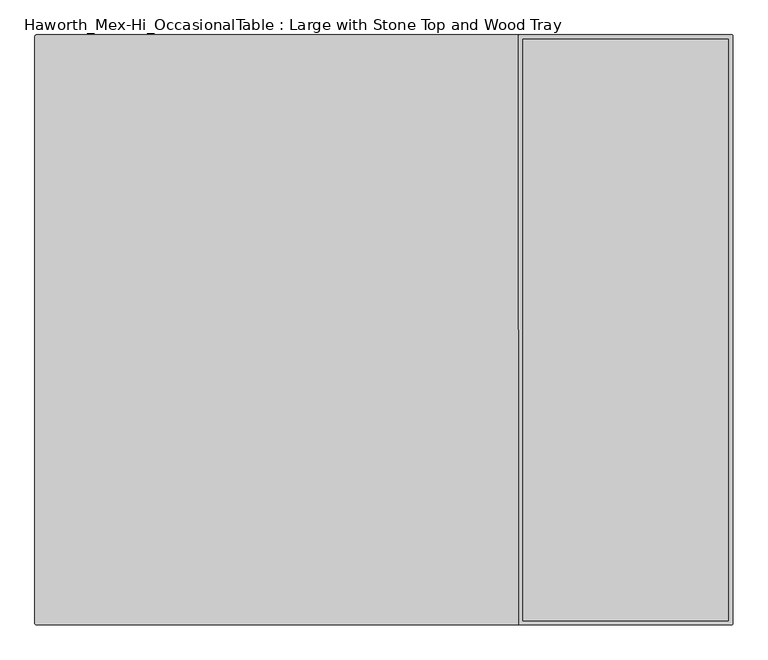
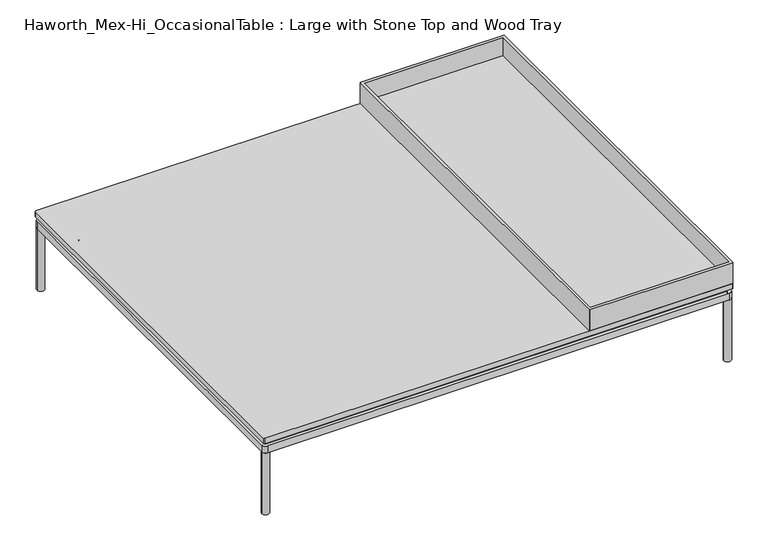
"""IFC4 building model written with IfcOpenShell, lengths in millimetres: furniture geometry, Haworth_Mex-Hi_OccasionalTable : Large with Stone Top and Wood Tray."""

from ifc_helpers import new_model, si_unit, point, frame, frame_2d, origin, origin_with_axes, place, context, project, spatial, polyline, circle_curve, trimmed, segment, composite_curve, outline, extrude, faceted_brep, source, transform, mapped, element, save
from ifc_brep_helpers import plane_surface, cylinder_surface, advanced_brep


def haworth_mex_hi_occasionaltable_large_with_stone_top_and_wood_ebb3eda0(model_context):
    return source(origin(), model_context, "Body", "SolidModel", [
        faceted_brep([(104.0106049, 249.8139401, 233.8030617), (104.0106049, -834.0139401, 233.8030617), (486.7988188, -834.0139401, 233.8030617), (486.7988188, 249.8139401, 233.8030617), (96.0147118, -841.0104971, 225.806), (96.0147118, 256.8104971, 225.806), (97.014215, 256.8104971, 225.806), (97.014215, 257.81, 225.806), (493.7952091, 257.81, 225.806), (493.7952091, 256.8104971, 225.806), (494.7947118, 256.8104971, 225.806), (494.7947118, -841.0104971, 225.806), (493.7952091, -841.0104971, 225.806), (493.7952091, -842.01, 225.806), (97.014215, -842.01, 225.806), (97.014215, -841.0104971, 225.806), (493.7952091, -842.01, 286.7670178), (493.7952091, -841.0104971, 286.7670178), (494.7947118, -841.0104971, 286.7670178), (494.7947118, 256.8104971, 286.7670178), (493.7952091, 256.8104971, 286.7670178), (493.7952091, 257.81, 286.7670178), (97.014215, 257.81, 286.7670178), (97.014215, 256.8104971, 286.7670178), (96.014582, 256.8104971, 286.7670178), (96.0147121, -841.0104971, 286.7670178), (97.014215, -841.0104971, 286.7670178), (97.014215, -842.01, 286.7670178), (104.0106049, -834.0139401, 286.7670178), (104.0106049, 249.8139401, 286.7670178), (486.7988188, 249.8139401, 286.7670178), (486.7988188, -834.0139401, 286.7670178)], [[[0, 1, 2, 3]], [[4, 5, 6, 7, 8, 9, 10, 11, 12, 13, 14, 15]], [[16, 17, 18, 19, 20, 21, 22, 23, 24, 25, 26, 27], [28, 29, 30, 31]], [[29, 28, 1, 0]], [[30, 29, 0, 3]], [[31, 30, 3, 2]], [[28, 31, 2, 1]], [[4, 15, 26, 25]], [[26, 15, 14, 27]], [[27, 14, 13, 16]], [[16, 13, 12, 17]], [[17, 12, 11, 18]], [[18, 11, 10, 19]], [[19, 10, 9, 20]], [[20, 9, 8, 21]], [[21, 8, 7, 22]], [[22, 7, 6, 23]], [[23, 6, 5, 24]], [[24, 5, 4, 25]]]),
        extrude(outline(composite_curve([segment(trimmed(circle_curve(frame_2d((492.2547118, 255.27)), 2.54), [point((492.2547118, 257.81))], [point((494.7947118, 255.27))], False, "CARTESIAN"), True, "CONTINUOUS"), segment(polyline([(494.7947118, 255.27), (494.7947118, -839.47)]), True, "CONTINUOUS"), segment(trimmed(circle_curve(frame_2d((492.2547118, -839.47)), 2.54), [point((494.7947118, -839.47))], [point((492.2547118, -842.01))], False, "CARTESIAN"), True, "CONTINUOUS"), segment(polyline([(492.2547118, -842.01), (-803.1452882, -842.01)]), True, "CONTINUOUS"), segment(trimmed(circle_curve(frame_2d((-803.1452882, -839.47)), 2.54), [point((-803.1452882, -842.01))], [point((-805.6852882, -839.47))], False, "CARTESIAN"), True, "CONTINUOUS"), segment(polyline([(-805.6852882, -839.47), (-805.6852882, 255.27)]), True, "CONTINUOUS"), segment(trimmed(circle_curve(frame_2d((-803.1452882, 255.27)), 2.54), [point((-805.6852882, 255.27))], [point((-803.1452882, 257.81))], False, "CARTESIAN"), True, "CONTINUOUS"), segment(polyline([(-803.1452882, 257.81), (492.2547118, 257.81)]), True, "CONTINUOUS")], self_intersect=False)), frame((0.0, 0.0, 210.5656929), z_axis=(0.0, 0.0, 1.0), x_axis=(1.0, 0.0, 0.0)), (0.0, 0.0, 1.0), 15.2403071),
        extrude(outline(composite_curve([segment(trimmed(circle_curve(frame_2d((-793.7438099, 245.8600121)), 1.9413078), [point((-795.6851177, 245.8600121))], [point((-793.7438099, 247.8013198))], False, "CARTESIAN"), True, "CONTINUOUS"), segment(polyline([(-793.7438099, 247.8013198), (482.7909315, 247.8013198)]), True, "CONTINUOUS"), segment(trimmed(circle_curve(frame_2d((482.7909315, 245.7941911)), 2.0071288), [point((482.7909315, 247.8013198))], [point((484.7980603, 245.7941911))], False, "CARTESIAN"), True, "CONTINUOUS"), segment(polyline([(484.7980603, 245.7941911), (484.7980603, -830.0202885)]), True, "CONTINUOUS"), segment(trimmed(circle_curve(frame_2d((482.7963356, -830.0202885)), 2.0017246), [point((484.7980603, -830.0202885))], [point((482.7963356, -832.0220131))], False, "CARTESIAN"), True, "CONTINUOUS"), segment(polyline([(482.7963356, -832.0220131), (-793.6865391, -832.0220131)]), True, "CONTINUOUS"), segment(trimmed(circle_curve(frame_2d((-793.6865391, -830.0234345)), 1.9985786), [point((-793.6865391, -832.0220131))], [point((-795.6851177, -830.0234345))], False, "CARTESIAN"), True, "CONTINUOUS"), segment(polyline([(-795.6851177, -830.0234345), (-795.6851177, 245.8600121)]), True, "CONTINUOUS")], self_intersect=False)), frame((0.0, 0.0, 200.6639327), z_axis=(0.0, 0.0, 1.0), x_axis=(1.0, 0.0, 0.0)), (0.0, 0.0, 1.0), 8.6983971),
        extrude(outline(composite_curve([segment(trimmed(circle_curve(frame_2d((-734.5485908, -768.4918899)), 0.8405923), [point((-734.1762907, -769.2455397))], [point((-735.2478371, -768.9584197))], False, "CARTESIAN"), True, "CONTINUOUS"), segment(trimmed(circle_curve(frame_2d((-716.0123929, -752.9681431)), 25.0138214), [point((-735.2478371, -768.9584197))], [point((-739.4781008, -761.6313881))], False, "CARTESIAN"), True, "CONTINUOUS"), segment(trimmed(circle_curve(frame_2d((-738.5030497, -761.3200964)), 1.0235365), [point((-739.4781008, -761.6313881))], [point((-739.0770727, -760.472674))], False, "CARTESIAN"), True, "CONTINUOUS"), segment(trimmed(circle_curve(frame_2d((-759.3974109, -730.4740319)), 36.2330605), [point((-739.0770727, -760.472674))], [point((-723.2576556, -733.07264))], True, "CARTESIAN"), True, "CONTINUOUS"), segment(trimmed(circle_curve(frame_2d((-722.2381008, -733.1459505)), 1.0221871), [point((-723.2576556, -733.07264))], [point((-722.4469831, -732.1453333))], False, "CARTESIAN"), True, "CONTINUOUS"), segment(trimmed(circle_curve(frame_2d((-718.2244211, -752.3728401)), 20.6635442), [point((-722.4469831, -732.1453333))], [point((-714.0018591, -732.1453333))], False, "CARTESIAN"), True, "CONTINUOUS"), segment(trimmed(circle_curve(frame_2d((-714.2108273, -733.1463624)), 1.0226079), [point((-714.0018591, -732.1453333))], [point((-713.1908621, -733.072893))], False, "CARTESIAN"), True, "CONTINUOUS"), segment(trimmed(circle_curve(frame_2d((-677.8017646, -730.9076737)), 35.4552732), [point((-713.1908621, -733.072893))], [point((-697.3714482, -760.4729215))], True, "CARTESIAN"), True, "CONTINUOUS"), segment(trimmed(circle_curve(frame_2d((-697.8841782, -761.2984642)), 0.971809), [point((-697.3714482, -760.4729215))], [point((-696.9743802, -761.6400494))], False, "CARTESIAN"), True, "CONTINUOUS"), segment(trimmed(circle_curve(frame_2d((-721.1201172, -752.5744916)), 25.79149), [point((-696.9743802, -761.6400494))], [point((-701.1962454, -768.9525343))], False, "CARTESIAN"), True, "CONTINUOUS"), segment(trimmed(circle_curve(frame_2d((-701.9409291, -768.3403811)), 0.9639946), [point((-701.1962454, -768.9525343))], [point((-702.2725515, -769.2455397))], False, "CARTESIAN"), True, "CONTINUOUS"), segment(trimmed(circle_curve(frame_2d((-718.2244211, -801.5370245)), 36.0166924), [point((-702.2725515, -769.2455397))], [point((-734.1762907, -769.2455397))], True, "CARTESIAN"), True, "CONTINUOUS")], self_intersect=False)), frame((0.0, 0.0, 165.7894444), z_axis=(0.0, 0.0, 1.0), x_axis=(1.0, 0.0, 0.0)), (0.0, 0.0, 1.0), 9.7910462),
        extrude(outline(composite_curve([segment(trimmed(circle_curve(frame_2d((-718.2242758, -754.2455832)), 3.9922173), [point((-714.2320585, -754.2455832))], [point((-722.216493, -754.2455832))], False, "CARTESIAN"), True, "CONTINUOUS"), segment(trimmed(circle_curve(frame_2d((-718.2242758, -754.2455832)), 3.9922173), [point((-722.216493, -754.2455832))], [point((-714.2320585, -754.2455832))], False, "CARTESIAN"), True, "CONTINUOUS")], self_intersect=False)), frame((0.0, 0.0, 170.7645404), z_axis=(0.0, 0.0, 1.0), x_axis=(1.0, 0.0, 0.0)), (0.0, 0.0, 1.0), 38.5901772),
        extrude(outline(composite_curve([segment(trimmed(circle_curve(frame_2d((-718.2242758, -754.2455832)), 9.4525726), [point((-708.7717031, -754.2455832))], [point((-727.6768484, -754.2455832))], False, "CARTESIAN"), True, "CONTINUOUS"), segment(trimmed(circle_curve(frame_2d((-718.2242758, -754.2455832)), 9.4525726), [point((-727.6768484, -754.2455832))], [point((-708.7717031, -754.2455832))], False, "CARTESIAN"), True, "CONTINUOUS")], self_intersect=False)), frame((0.0, 0.0, 200.6639145), z_axis=(0.0, 0.0, 1.0), x_axis=(1.0, 0.0, 0.0)), (0.0, 0.0, 1.0), 5.0787766),
        extrude(outline(composite_curve([segment(trimmed(circle_curve(frame_2d((-718.2242758, -754.2455832)), 9.4525726), [point((-708.7717031, -754.2455832))], [point((-727.6768484, -754.2455832))], False, "CARTESIAN"), True, "CONTINUOUS"), segment(trimmed(circle_curve(frame_2d((-718.2242758, -754.2455832)), 9.4525726), [point((-727.6768484, -754.2455832))], [point((-708.7717031, -754.2455832))], False, "CARTESIAN"), True, "CONTINUOUS")], self_intersect=False)), frame((0.0, 0.0, 175.5804905), z_axis=(0.0, 0.0, 1.0), x_axis=(1.0, 0.0, 0.0)), (0.0, 0.0, 1.0), 5.0787766),
        extrude(outline(composite_curve([segment(trimmed(circle_curve(frame_2d((396.8166573, -801.5370245)), 36.0166924), [point((412.7685269, -769.2455397))], [point((380.8647877, -769.2455397))], True, "CARTESIAN"), True, "CONTINUOUS"), segment(trimmed(circle_curve(frame_2d((380.5331653, -768.3403811)), 0.9639946), [point((380.8647877, -769.2455397))], [point((379.7884816, -768.9525343))], False, "CARTESIAN"), True, "CONTINUOUS"), segment(trimmed(circle_curve(frame_2d((399.7123534, -752.5744916)), 25.79149), [point((379.7884816, -768.9525343))], [point((375.5666164, -761.6400494))], False, "CARTESIAN"), True, "CONTINUOUS"), segment(trimmed(circle_curve(frame_2d((376.4764144, -761.2984642)), 0.971809), [point((375.5666164, -761.6400494))], [point((375.9636844, -760.4729215))], False, "CARTESIAN"), True, "CONTINUOUS"), segment(trimmed(circle_curve(frame_2d((356.3940008, -730.9076737)), 35.4552732), [point((375.9636844, -760.4729215))], [point((391.7830983, -733.072893))], True, "CARTESIAN"), True, "CONTINUOUS"), segment(trimmed(circle_curve(frame_2d((392.8030635, -733.1463624)), 1.0226079), [point((391.7830983, -733.072893))], [point((392.5940953, -732.1453333))], False, "CARTESIAN"), True, "CONTINUOUS"), segment(trimmed(circle_curve(frame_2d((396.8166573, -752.3728401)), 20.6635442), [point((392.5940953, -732.1453333))], [point((401.0392193, -732.1453333))], False, "CARTESIAN"), True, "CONTINUOUS"), segment(trimmed(circle_curve(frame_2d((400.830337, -733.1459505)), 1.0221871), [point((401.0392193, -732.1453333))], [point((401.8498918, -733.07264))], False, "CARTESIAN"), True, "CONTINUOUS"), segment(trimmed(circle_curve(frame_2d((437.9896471, -730.4740319)), 36.2330605), [point((401.8498918, -733.07264))], [point((417.6693089, -760.472674))], True, "CARTESIAN"), True, "CONTINUOUS"), segment(trimmed(circle_curve(frame_2d((417.0952859, -761.3200964)), 1.0235365), [point((417.6693089, -760.472674))], [point((418.070337, -761.6313881))], False, "CARTESIAN"), True, "CONTINUOUS"), segment(trimmed(circle_curve(frame_2d((394.604629, -752.9681431)), 25.0138214), [point((418.070337, -761.6313881))], [point((413.8400733, -768.9584197))], False, "CARTESIAN"), True, "CONTINUOUS"), segment(trimmed(circle_curve(frame_2d((413.140827, -768.4918899)), 0.8405923), [point((413.8400733, -768.9584197))], [point((412.7685269, -769.2455397))], False, "CARTESIAN"), True, "CONTINUOUS")], self_intersect=False)), frame((0.0, 0.0, 165.7894444), z_axis=(0.0, 0.0, 1.0), x_axis=(1.0, 0.0, 0.0)), (0.0, 0.0, 1.0), 9.7910462),
        extrude(outline(composite_curve([segment(trimmed(circle_curve(frame_2d((396.816512, -754.2455832)), 3.9922173), [point((392.8242947, -754.2455832))], [point((400.8087292, -754.2455832))], False, "CARTESIAN"), True, "CONTINUOUS"), segment(trimmed(circle_curve(frame_2d((396.816512, -754.2455832)), 3.9922173), [point((400.8087292, -754.2455832))], [point((392.8242947, -754.2455832))], False, "CARTESIAN"), True, "CONTINUOUS")], self_intersect=False)), frame((0.0, 0.0, 170.7645404), z_axis=(0.0, 0.0, 1.0), x_axis=(1.0, 0.0, 0.0)), (0.0, 0.0, 1.0), 38.5901772),
        extrude(outline(composite_curve([segment(trimmed(circle_curve(frame_2d((396.816512, -754.2455832)), 9.4525726), [point((387.3639393, -754.2455832))], [point((406.2690846, -754.2455832))], False, "CARTESIAN"), True, "CONTINUOUS"), segment(trimmed(circle_curve(frame_2d((396.816512, -754.2455832)), 9.4525726), [point((406.2690846, -754.2455832))], [point((387.3639393, -754.2455832))], False, "CARTESIAN"), True, "CONTINUOUS")], self_intersect=False)), frame((0.0, 0.0, 200.6639145), z_axis=(0.0, 0.0, 1.0), x_axis=(1.0, 0.0, 0.0)), (0.0, 0.0, 1.0), 5.0787766),
        extrude(outline(composite_curve([segment(trimmed(circle_curve(frame_2d((396.816512, -754.2455832)), 9.4525726), [point((387.3639393, -754.2455832))], [point((406.2690846, -754.2455832))], False, "CARTESIAN"), True, "CONTINUOUS"), segment(trimmed(circle_curve(frame_2d((396.816512, -754.2455832)), 9.4525726), [point((406.2690846, -754.2455832))], [point((387.3639393, -754.2455832))], False, "CARTESIAN"), True, "CONTINUOUS")], self_intersect=False)), frame((0.0, 0.0, 175.5804905), z_axis=(0.0, 0.0, 1.0), x_axis=(1.0, 0.0, 0.0)), (0.0, 0.0, 1.0), 5.0787766),
        extrude(outline(composite_curve([segment(trimmed(circle_curve(frame_2d((-734.5485908, 155.518788)), 0.8405923), [point((-734.1762907, 154.7651382))], [point((-735.2478371, 155.0522582))], False, "CARTESIAN"), True, "CONTINUOUS"), segment(trimmed(circle_curve(frame_2d((-716.0123929, 171.0425348)), 25.0138214), [point((-735.2478371, 155.0522582))], [point((-739.4781008, 162.3792898))], False, "CARTESIAN"), True, "CONTINUOUS"), segment(trimmed(circle_curve(frame_2d((-738.5030497, 162.6905815)), 1.0235365), [point((-739.4781008, 162.3792898))], [point((-739.0770727, 163.5380039))], False, "CARTESIAN"), True, "CONTINUOUS"), segment(trimmed(circle_curve(frame_2d((-759.3974109, 193.536646)), 36.2330605), [point((-739.0770727, 163.5380039))], [point((-723.2576556, 190.9380379))], True, "CARTESIAN"), True, "CONTINUOUS"), segment(trimmed(circle_curve(frame_2d((-722.2381008, 190.8647274)), 1.0221871), [point((-723.2576556, 190.9380379))], [point((-722.4469831, 191.8653446))], False, "CARTESIAN"), True, "CONTINUOUS"), segment(trimmed(circle_curve(frame_2d((-718.2244211, 171.6378378)), 20.6635442), [point((-722.4469831, 191.8653446))], [point((-714.0018591, 191.8653446))], False, "CARTESIAN"), True, "CONTINUOUS"), segment(trimmed(circle_curve(frame_2d((-714.2108273, 190.8643155)), 1.0226079), [point((-714.0018591, 191.8653446))], [point((-713.1908621, 190.9377849))], False, "CARTESIAN"), True, "CONTINUOUS"), segment(trimmed(circle_curve(frame_2d((-677.8017646, 193.1030042)), 35.4552732), [point((-713.1908621, 190.9377849))], [point((-697.3714482, 163.5377564))], True, "CARTESIAN"), True, "CONTINUOUS"), segment(trimmed(circle_curve(frame_2d((-697.8841782, 162.7122137)), 0.971809), [point((-697.3714482, 163.5377564))], [point((-696.9743802, 162.3706285))], False, "CARTESIAN"), True, "CONTINUOUS"), segment(trimmed(circle_curve(frame_2d((-721.1201172, 171.4361863)), 25.79149), [point((-696.9743802, 162.3706285))], [point((-701.1962454, 155.0581436))], False, "CARTESIAN"), True, "CONTINUOUS"), segment(trimmed(circle_curve(frame_2d((-701.9409291, 155.6702968)), 0.9639946), [point((-701.1962454, 155.0581436))], [point((-702.2725515, 154.7651382))], False, "CARTESIAN"), True, "CONTINUOUS"), segment(trimmed(circle_curve(frame_2d((-718.2244211, 122.4736534)), 36.0166924), [point((-702.2725515, 154.7651382))], [point((-734.1762907, 154.7651382))], True, "CARTESIAN"), True, "CONTINUOUS")], self_intersect=False)), frame((0.0, 0.0, 165.7894444), z_axis=(0.0, 0.0, 1.0), x_axis=(1.0, 0.0, 0.0)), (0.0, 0.0, 1.0), 9.7910462),
        extrude(outline(composite_curve([segment(trimmed(circle_curve(frame_2d((-718.2242758, 169.7650947)), 3.9922173), [point((-714.2320585, 169.7650947))], [point((-722.216493, 169.7650947))], False, "CARTESIAN"), True, "CONTINUOUS"), segment(trimmed(circle_curve(frame_2d((-718.2242758, 169.7650947)), 3.9922173), [point((-722.216493, 169.7650947))], [point((-714.2320585, 169.7650947))], False, "CARTESIAN"), True, "CONTINUOUS")], self_intersect=False)), frame((0.0, 0.0, 170.7645404), z_axis=(0.0, 0.0, 1.0), x_axis=(1.0, 0.0, 0.0)), (0.0, 0.0, 1.0), 38.5901772),
        extrude(outline(composite_curve([segment(trimmed(circle_curve(frame_2d((-718.2242758, 169.7650947)), 9.4525726), [point((-708.7717031, 169.7650947))], [point((-727.6768484, 169.7650947))], False, "CARTESIAN"), True, "CONTINUOUS"), segment(trimmed(circle_curve(frame_2d((-718.2242758, 169.7650947)), 9.4525726), [point((-727.6768484, 169.7650947))], [point((-708.7717031, 169.7650947))], False, "CARTESIAN"), True, "CONTINUOUS")], self_intersect=False)), frame((0.0, 0.0, 200.6639145), z_axis=(0.0, 0.0, 1.0), x_axis=(1.0, 0.0, 0.0)), (0.0, 0.0, 1.0), 5.0787766),
        extrude(outline(composite_curve([segment(trimmed(circle_curve(frame_2d((-718.2242758, 169.7650947)), 9.4525726), [point((-708.7717031, 169.7650947))], [point((-727.6768484, 169.7650947))], False, "CARTESIAN"), True, "CONTINUOUS"), segment(trimmed(circle_curve(frame_2d((-718.2242758, 169.7650947)), 9.4525726), [point((-727.6768484, 169.7650947))], [point((-708.7717031, 169.7650947))], False, "CARTESIAN"), True, "CONTINUOUS")], self_intersect=False)), frame((0.0, 0.0, 175.5804905), z_axis=(0.0, 0.0, 1.0), x_axis=(1.0, 0.0, 0.0)), (0.0, 0.0, 1.0), 5.0787766),
        advanced_brep(
        [(387.3639393, 169.7650947, 180.6592671), (406.2690846, 169.7650947, 180.6592671), (400.8087292, 169.7650947, 180.6592671), (392.8242947, 169.7650947, 180.6592671), (387.3639393, 169.7650947, 175.5804905), (406.2690846, 169.7650947, 175.5804905), (392.8242947, 169.7650947, 175.5804905), (400.8087292, 169.7650947, 175.5804905), (387.3639393, 169.7650947, 205.742691), (406.2690846, 169.7650947, 205.742691), (400.8087292, 169.7650947, 205.742691), (392.8242947, 169.7650947, 205.742691), (387.3639393, 169.7650947, 200.6639145), (406.2690846, 169.7650947, 200.6639145), (392.8242947, 169.7650947, 200.6639145), (400.8087292, 169.7650947, 200.6639145), (392.8242947, 169.7650947, 209.3547176), (400.8087292, 169.7650947, 209.3547176), (392.8242947, 169.7650947, 170.7645404), (400.8087292, 169.7650947, 170.7645404)],
        [
            (0, 1, circle_curve(frame((396.816512, 169.7650947, 180.6592671), z_axis=(0.0, 0.0, 1.0), x_axis=(1.0, 0.0, 0.0)), 9.4525726)),
            (1, 0, circle_curve(frame((396.816512, 169.7650947, 180.6592671), z_axis=(0.0, 0.0, 1.0), x_axis=(1.0, 0.0, 0.0)), 9.4525726)),
            (2, 3, circle_curve(frame((396.816512, 169.7650947, 180.6592671), z_axis=(0.0, 0.0, -1.0), x_axis=(1.0, 0.0, 0.0)), 3.9922173)),
            (3, 2, circle_curve(frame((396.816512, 169.7650947, 180.6592671), z_axis=(0.0, 0.0, -1.0), x_axis=(1.0, 0.0, 0.0)), 3.9922173)),
            (4, 5, circle_curve(frame((396.816512, 169.7650947, 175.5804905), z_axis=(0.0, 0.0, -1.0), x_axis=(1.0, 0.0, 0.0)), 9.4525726)),
            (5, 4, circle_curve(frame((396.816512, 169.7650947, 175.5804905), z_axis=(0.0, 0.0, -1.0), x_axis=(1.0, 0.0, 0.0)), 9.4525726)),
            (6, 7, circle_curve(frame((396.816512, 169.7650947, 175.5804905), z_axis=(0.0, 0.0, 1.0), x_axis=(1.0, 0.0, 0.0)), 3.9922173)),
            (7, 6, circle_curve(frame((396.816512, 169.7650947, 175.5804905), z_axis=(0.0, 0.0, 1.0), x_axis=(1.0, 0.0, 0.0)), 3.9922173)),
            (0, 4),
            (5, 1),
            (8, 9, circle_curve(frame((396.816512, 169.7650947, 205.742691), z_axis=(0.0, 0.0, 1.0), x_axis=(1.0, 0.0, 0.0)), 9.4525726)),
            (9, 8, circle_curve(frame((396.816512, 169.7650947, 205.742691), z_axis=(0.0, 0.0, 1.0), x_axis=(1.0, 0.0, 0.0)), 9.4525726)),
            (10, 11, circle_curve(frame((396.816512, 169.7650947, 205.742691), z_axis=(0.0, 0.0, -1.0), x_axis=(1.0, 0.0, 0.0)), 3.9922173)),
            (11, 10, circle_curve(frame((396.816512, 169.7650947, 205.742691), z_axis=(0.0, 0.0, -1.0), x_axis=(1.0, 0.0, 0.0)), 3.9922173)),
            (12, 13, circle_curve(frame((396.816512, 169.7650947, 200.6639145), z_axis=(0.0, 0.0, -1.0), x_axis=(1.0, 0.0, 0.0)), 9.4525726)),
            (13, 12, circle_curve(frame((396.816512, 169.7650947, 200.6639145), z_axis=(0.0, 0.0, -1.0), x_axis=(1.0, 0.0, 0.0)), 9.4525726)),
            (14, 15, circle_curve(frame((396.816512, 169.7650947, 200.6639145), z_axis=(0.0, 0.0, 1.0), x_axis=(1.0, 0.0, 0.0)), 3.9922173)),
            (15, 14, circle_curve(frame((396.816512, 169.7650947, 200.6639145), z_axis=(0.0, 0.0, 1.0), x_axis=(1.0, 0.0, 0.0)), 3.9922173)),
            (8, 12),
            (13, 9),
            (16, 17, circle_curve(frame((396.816512, 169.7650947, 209.3547176), z_axis=(0.0, 0.0, 1.0), x_axis=(1.0, 0.0, 0.0)), 3.9922173)),
            (17, 16, circle_curve(frame((396.816512, 169.7650947, 209.3547176), z_axis=(0.0, 0.0, 1.0), x_axis=(1.0, 0.0, 0.0)), 3.9922173)),
            (18, 19, circle_curve(frame((396.816512, 169.7650947, 170.7645404), z_axis=(0.0, 0.0, -1.0), x_axis=(1.0, 0.0, 0.0)), 3.9922173)),
            (19, 18, circle_curve(frame((396.816512, 169.7650947, 170.7645404), z_axis=(0.0, 0.0, -1.0), x_axis=(1.0, 0.0, 0.0)), 3.9922173)),
            (16, 11),
            (10, 17),
            (19, 7),
            (6, 18),
            (14, 3),
            (2, 15),
        ],
        [
            plane_surface(frame((406.2690846, 169.7650947, 180.6592671), z_axis=(0.0, 0.0, 1.0), x_axis=(0.0, 1.0, 0.0))),
            plane_surface(frame((406.2690846, 169.7650947, 175.5804905), z_axis=(0.0, 0.0, -1.0), x_axis=(0.0, -1.0, 0.0))),
            cylinder_surface(frame((396.816512, 169.7650947, 175.5804905), z_axis=(0.0, 0.0, 1.0), x_axis=(1.0, 0.0, 0.0)), 9.4525726),
            plane_surface(frame((406.2690846, 169.7650947, 205.742691), z_axis=(0.0, 0.0, 1.0), x_axis=(0.0, 1.0, 0.0))),
            plane_surface(frame((406.2690846, 169.7650947, 200.6639145), z_axis=(0.0, 0.0, -1.0), x_axis=(0.0, -1.0, 0.0))),
            cylinder_surface(frame((396.816512, 169.7650947, 200.6639145), z_axis=(0.0, 0.0, 1.0), x_axis=(1.0, 0.0, 0.0)), 9.4525726),
            plane_surface(frame((400.8087292, 169.7650947, 209.3547176), z_axis=(0.0, 0.0, 1.0), x_axis=(0.0, 1.0, 0.0))),
            plane_surface(frame((400.8087292, 169.7650947, 170.7645404), z_axis=(0.0, 0.0, -1.0), x_axis=(0.0, -1.0, 0.0))),
            cylinder_surface(frame((396.816512, 169.7650947, 170.7645404), z_axis=(0.0, 0.0, 1.0), x_axis=(1.0, 0.0, 0.0)), 3.9922173),
        ],
        [
            (0, [[1, 2], [3, 4]]),
            (1, [[5, 6], [7, 8]]),
            (2, [[-1, 9, -6, 10]]),
            (2, [[-2, -10, -5, -9]]),
            (3, [[11, 12], [13, 14]]),
            (4, [[15, 16], [17, 18]]),
            (5, [[-11, 19, -16, 20]]),
            (5, [[-12, -20, -15, -19]]),
            (6, [[21, 22]]),
            (7, [[23, 24]]),
            (8, [[-21, 25, -13, 26]]),
            (8, [[-24, 27, -7, 28]]),
            (8, [[29, -3, 30, -17]]),
            (8, [[-22, -26, -14, -25]]),
            (8, [[-23, -28, -8, -27]]),
            (8, [[-29, -18, -30, -4]]),
        ],
    ),
        extrude(outline(composite_curve([segment(trimmed(circle_curve(frame_2d((396.8166573, 122.4736534)), 36.0166924), [point((412.7685269, 154.7651382))], [point((380.8647877, 154.7651382))], True, "CARTESIAN"), True, "CONTINUOUS"), segment(trimmed(circle_curve(frame_2d((380.5331653, 155.6702968)), 0.9639946), [point((380.8647877, 154.7651382))], [point((379.7884816, 155.0581436))], False, "CARTESIAN"), True, "CONTINUOUS"), segment(trimmed(circle_curve(frame_2d((399.7123534, 171.4361863)), 25.79149), [point((379.7884816, 155.0581436))], [point((375.5666164, 162.3706285))], False, "CARTESIAN"), True, "CONTINUOUS"), segment(trimmed(circle_curve(frame_2d((376.4764144, 162.7122137)), 0.971809), [point((375.5666164, 162.3706285))], [point((375.9636844, 163.5377564))], False, "CARTESIAN"), True, "CONTINUOUS"), segment(trimmed(circle_curve(frame_2d((356.3940008, 193.1030042)), 35.4552732), [point((375.9636844, 163.5377564))], [point((391.7830983, 190.9377849))], True, "CARTESIAN"), True, "CONTINUOUS"), segment(trimmed(circle_curve(frame_2d((392.8030635, 190.8643155)), 1.0226079), [point((391.7830983, 190.9377849))], [point((392.5940953, 191.8653446))], False, "CARTESIAN"), True, "CONTINUOUS"), segment(trimmed(circle_curve(frame_2d((396.8166573, 171.6378378)), 20.6635442), [point((392.5940953, 191.8653446))], [point((401.0392193, 191.8653446))], False, "CARTESIAN"), True, "CONTINUOUS"), segment(trimmed(circle_curve(frame_2d((400.830337, 190.8647274)), 1.0221871), [point((401.0392193, 191.8653446))], [point((401.8498918, 190.9380379))], False, "CARTESIAN"), True, "CONTINUOUS"), segment(trimmed(circle_curve(frame_2d((437.9896471, 193.536646)), 36.2330605), [point((401.8498918, 190.9380379))], [point((417.6693089, 163.5380039))], True, "CARTESIAN"), True, "CONTINUOUS"), segment(trimmed(circle_curve(frame_2d((417.0952859, 162.6905815)), 1.0235365), [point((417.6693089, 163.5380039))], [point((418.070337, 162.3792898))], False, "CARTESIAN"), True, "CONTINUOUS"), segment(trimmed(circle_curve(frame_2d((394.604629, 171.0425348)), 25.0138214), [point((418.070337, 162.3792898))], [point((413.8400733, 155.0522582))], False, "CARTESIAN"), True, "CONTINUOUS"), segment(trimmed(circle_curve(frame_2d((413.140827, 155.518788)), 0.8405923), [point((413.8400733, 155.0522582))], [point((412.7685269, 154.7651382))], False, "CARTESIAN"), True, "CONTINUOUS")], self_intersect=False)), frame((0.0, 0.0, 165.7894444), z_axis=(0.0, 0.0, 1.0), x_axis=(1.0, 0.0, 0.0)), (0.0, 0.0, 1.0), 9.7910462),
        extrude(outline(polyline([(454.7958218, -738.9854681), (454.7958218, -769.2455397), (-765.6834606, -769.2455397), (-765.6834606, -738.9854681), (454.7958218, -738.9854681)])), frame((0.0, 0.0, 182.5080096), z_axis=(0.0, 0.0, 1.0), x_axis=(1.0, 0.0, 0.0)), (0.0, 0.0, 1.0), 18.1559049),
        extrude(outline(polyline([(454.7958218, -537.2533049), (454.7958218, -567.5133765), (-765.6834606, -567.5133765), (-765.6834606, -537.2533049), (454.7958218, -537.2533049)])), frame((0.0, 0.0, 182.5080096), z_axis=(0.0, 0.0, 1.0), x_axis=(1.0, 0.0, 0.0)), (0.0, 0.0, 1.0), 18.1559049),
        extrude(outline(polyline([(454.7958218, -335.4707087), (454.7958218, -365.7307803), (-765.6834606, -365.7307803), (-765.6834606, -335.4707087), (454.7958218, -335.4707087)])), frame((0.0, 0.0, 182.5080096), z_axis=(0.0, 0.0, 1.0), x_axis=(1.0, 0.0, 0.0)), (0.0, 0.0, 1.0), 18.1559049),
        extrude(outline(polyline([(454.7958218, 185.0252098), (454.7958218, 154.7651382), (-765.6834606, 154.7651382), (-765.6834606, 185.0252098), (454.7958218, 185.0252098)])), frame((0.0, 0.0, 182.5080096), z_axis=(0.0, 0.0, 1.0), x_axis=(1.0, 0.0, 0.0)), (0.0, 0.0, 1.0), 18.1559049),
        extrude(outline(polyline([(190.6386208, 160.3135818), (-774.9557372, 160.3137453), (-802.0272233, 176.9731213), (-802.0272233, 200.6601021), (-769.245576, 180.4867667), (185.0247737, 180.4866032), (217.8063484, 200.6598086), (217.8063484, 177.0397933), (190.6386208, 160.3135818)])), frame((-170.5782154, 0.0, 0.0), z_axis=(1.0, 0.0, 0.0), x_axis=(0.0, 1.0, 0.0)), (0.0, 0.0, 1.0), 30.2599248),
        extrude(outline(composite_curve([segment(trimmed(circle_curve(frame_2d((484.6347118, 247.65)), 10.16), [point((484.6347118, 257.81))], [point((494.7947118, 247.65))], False, "CARTESIAN"), True, "CONTINUOUS"), segment(polyline([(494.7947118, 247.65), (494.7947118, -831.85)]), True, "CONTINUOUS"), segment(trimmed(circle_curve(frame_2d((484.6347118, -831.85)), 10.16), [point((494.7947118, -831.85))], [point((484.6347118, -842.01))], False, "CARTESIAN"), True, "CONTINUOUS"), segment(polyline([(484.6347118, -842.01), (-795.5252882, -842.01)]), True, "CONTINUOUS"), segment(trimmed(circle_curve(frame_2d((-795.5252882, -831.85)), 10.16), [point((-795.5252882, -842.01))], [point((-805.6852882, -831.85))], False, "CARTESIAN"), True, "CONTINUOUS"), segment(polyline([(-805.6852882, -831.85), (-805.6852882, 247.65)]), True, "CONTINUOUS"), segment(trimmed(circle_curve(frame_2d((-795.5252882, 247.65)), 10.16), [point((-805.6852882, 247.65))], [point((-795.5252882, 257.81))], False, "CARTESIAN"), True, "CONTINUOUS"), segment(polyline([(-795.5252882, 257.81), (484.6347118, 257.81)]), True, "CONTINUOUS")], self_intersect=False), holes=[composite_curve([segment(polyline([(-793.6865391, -832.0220131), (482.7963356, -832.0220131)]), True, "CONTINUOUS"), segment(trimmed(circle_curve(frame_2d((482.7963356, -830.0202885)), 2.0017246), [point((482.7963356, -832.0220131))], [point((484.7980603, -830.0202885))], True, "CARTESIAN"), True, "CONTINUOUS"), segment(polyline([(484.7980603, -830.0202885), (484.7980603, 245.7941911)]), True, "CONTINUOUS"), segment(trimmed(circle_curve(frame_2d((482.7909315, 245.7941911)), 2.0071288), [point((484.7980603, 245.7941911))], [point((482.7909315, 247.8013198))], True, "CARTESIAN"), True, "CONTINUOUS"), segment(polyline([(482.7909315, 247.8013198), (-793.7438099, 247.8013198)]), True, "CONTINUOUS"), segment(trimmed(circle_curve(frame_2d((-793.7438099, 245.8600121)), 1.9413078), [point((-793.7438099, 247.8013198))], [point((-795.6851177, 245.8600121))], True, "CARTESIAN"), True, "CONTINUOUS"), segment(polyline([(-795.6851177, 245.8600121), (-795.6851177, -830.0234345)]), True, "CONTINUOUS"), segment(trimmed(circle_curve(frame_2d((-793.6865391, -830.0234345)), 1.9985786), [point((-795.6851177, -830.0234345))], [point((-793.6865391, -832.0220131))], True, "CARTESIAN"), True, "CONTINUOUS")], self_intersect=False)]), frame((0.0, 0.0, 180.8301142), z_axis=(0.0, 0.0, 1.0), x_axis=(1.0, 0.0, 0.0)), (0.0, 0.0, 1.0), 19.8338184),
        extrude(outline(composite_curve([segment(polyline([(482.8193838, -831.0234549), (-793.6852152, -831.0234549)]), True, "CONTINUOUS"), segment(trimmed(circle_curve(frame_2d((-793.6852152, -830.022038)), 1.0014169), [point((-793.6852152, -831.0234549))], [point((-794.6866321, -830.022038))], False, "CARTESIAN"), True, "CONTINUOUS"), segment(polyline([(-794.6866321, -830.022038), (-794.6866321, 245.7403667)]), True, "CONTINUOUS"), segment(trimmed(circle_curve(frame_2d((-793.6243099, 245.7403667)), 1.0623222), [point((-794.6866321, 245.7403667))], [point((-793.62431, 246.8026889))], False, "CARTESIAN"), True, "CONTINUOUS"), segment(polyline([(-793.62431, 246.8026889), (482.8079882, 246.8028345)]), True, "CONTINUOUS"), segment(trimmed(circle_curve(frame_2d((482.8079882, 245.811248)), 0.9915865), [point((482.8079882, 246.8028345))], [point((483.7995747, 245.811248))], False, "CARTESIAN"), True, "CONTINUOUS"), segment(polyline([(483.7995747, 245.811248), (483.7995747, -830.043264)]), True, "CONTINUOUS"), segment(trimmed(circle_curve(frame_2d((482.8193838, -830.043264)), 0.9801909), [point((483.7995747, -830.043264))], [point((482.8193838, -831.0234549))], False, "CARTESIAN"), True, "CONTINUOUS")], self_intersect=False), holes=[composite_curve([segment(polyline([(467.7876141, 232.8228736), (-778.6802636, 232.8228736)]), True, "CONTINUOUS"), segment(trimmed(circle_curve(frame_2d((-778.6802636, 230.7964657)), 2.0264079), [point((-778.6802636, 232.8228736))], [point((-780.7066715, 230.7964657))], True, "CARTESIAN"), True, "CONTINUOUS"), segment(polyline([(-780.7066715, 230.7964657), (-780.7066715, -814.9889467)]), True, "CONTINUOUS"), segment(trimmed(circle_curve(frame_2d((-778.6520513, -814.9889467)), 2.0546202), [point((-780.7066715, -814.9889467))], [point((-778.652051, -817.0435669))], True, "CARTESIAN"), True, "CONTINUOUS"), segment(polyline([(-778.652051, -817.0435669), (467.8179778, -817.0437486)]), True, "CONTINUOUS"), segment(trimmed(circle_curve(frame_2d((467.8179778, -815.0418214)), 2.0019272), [point((467.8179778, -817.0437486))], [point((469.819905, -815.0418208))], True, "CARTESIAN"), True, "CONTINUOUS"), segment(polyline([(469.819905, -815.0418208), (469.8196141, 230.7908742)]), True, "CONTINUOUS"), segment(trimmed(circle_curve(frame_2d((467.7876141, 230.7908736)), 2.032), [point((469.8196141, 230.7908742))], [point((467.7876141, 232.8228736))], True, "CARTESIAN"), True, "CONTINUOUS")], self_intersect=False)]), frame((0.0, 0.0, 180.8301142), z_axis=(0.0, 0.0, 1.0), x_axis=(1.0, 0.0, 0.0)), (0.0, 0.0, 1.0), 19.8338184),
        extrude(outline(composite_curve([segment(trimmed(circle_curve(frame_2d((467.7876141, 230.7908736)), 2.032), [point((467.7876141, 232.8228736))], [point((469.8196141, 230.7908742))], False, "CARTESIAN"), True, "CONTINUOUS"), segment(polyline([(469.8196141, 230.7908742), (469.8199045, -815.0418208)]), True, "CONTINUOUS"), segment(trimmed(circle_curve(frame_2d((467.8179772, -815.0418214)), 2.0019272), [point((469.8199045, -815.0418208))], [point((467.8179775, -817.0437486))], False, "CARTESIAN"), True, "CONTINUOUS"), segment(polyline([(467.8179775, -817.0437486), (-778.652051, -817.0435669)]), True, "CONTINUOUS"), segment(trimmed(circle_curve(frame_2d((-778.6520507, -814.9889461)), 2.0546208), [point((-778.652051, -817.0435669))], [point((-780.7066715, -814.9889461))], False, "CARTESIAN"), True, "CONTINUOUS"), segment(polyline([(-780.7066715, -814.9889461), (-780.7066715, 230.7964657)]), True, "CONTINUOUS"), segment(trimmed(circle_curve(frame_2d((-778.6802636, 230.7964657)), 2.0264079), [point((-780.7066715, 230.7964657))], [point((-778.6802636, 232.8228736))], False, "CARTESIAN"), True, "CONTINUOUS"), segment(polyline([(-778.6802636, 232.8228736), (467.7876141, 232.8228736)]), True, "CONTINUOUS")], self_intersect=False), holes=[polyline([(-765.6831699, -802.0272233), (454.7961125, -802.026969), (454.7958218, 217.8060577), (-765.6831699, 217.8063484), (-765.6831699, -802.0272233)])]), frame((0.0, 0.0, 180.8301142), z_axis=(0.0, 0.0, 1.0), x_axis=(1.0, 0.0, 0.0)), (0.0, 0.0, 1.0), 19.8336913),
        extrude(outline(composite_curve([segment(trimmed(circle_curve(frame_2d((484.7983509, -832.0220858)), 9.92796), [point((474.8703909, -832.0220858))], [point((494.726311, -832.0220858))], False, "CARTESIAN"), True, "CONTINUOUS"), segment(trimmed(circle_curve(frame_2d((484.7983509, -832.0220858)), 9.92796), [point((494.726311, -832.0220858))], [point((474.8703909, -832.0220858))], False, "CARTESIAN"), True, "CONTINUOUS")], self_intersect=False)), origin_with_axes(), (0.0, 0.0, 1.0), 180.8301142),
        extrude(outline(composite_curve([segment(trimmed(circle_curve(frame_2d((-795.6889272, -832.0220858)), 9.92796), [point((-805.6168873, -832.0220858))], [point((-785.7609672, -832.0220858))], False, "CARTESIAN"), True, "CONTINUOUS"), segment(trimmed(circle_curve(frame_2d((-795.6889272, -832.0220858)), 9.92796), [point((-785.7609672, -832.0220858))], [point((-805.6168873, -832.0220858))], False, "CARTESIAN"), True, "CONTINUOUS")], self_intersect=False)), origin_with_axes(), (0.0, 0.0, 1.0), 180.8301142),
        extrude(outline(composite_curve([segment(trimmed(circle_curve(frame_2d((484.7983509, 247.8220858)), 9.92796), [point((474.8703909, 247.8220858))], [point((494.726311, 247.8220858))], False, "CARTESIAN"), True, "CONTINUOUS"), segment(trimmed(circle_curve(frame_2d((484.7983509, 247.8220858)), 9.92796), [point((494.726311, 247.8220858))], [point((474.8703909, 247.8220858))], False, "CARTESIAN"), True, "CONTINUOUS")], self_intersect=False)), origin_with_axes(), (0.0, 0.0, 1.0), 180.8301142),
        extrude(outline(composite_curve([segment(trimmed(circle_curve(frame_2d((-795.6889272, 247.8220858)), 9.92796), [point((-805.6168873, 247.8220858))], [point((-785.7609672, 247.8220858))], False, "CARTESIAN"), True, "CONTINUOUS"), segment(trimmed(circle_curve(frame_2d((-795.6889272, 247.8220858)), 9.92796), [point((-785.7609672, 247.8220858))], [point((-805.6168873, 247.8220858))], False, "CARTESIAN"), True, "CONTINUOUS")], self_intersect=False)), origin_with_axes(), (0.0, 0.0, 1.0), 180.8301142),
    ])


if __name__ == "__main__":
    model = new_model("IFC4")
    model_context = context("Model", 3, world=origin())
    ifc_project = project(units=[si_unit("LENGTHUNIT", "METRE", prefix="MILLI")], contexts=[model_context])
    site = spatial("IfcSite", under=ifc_project)
    building = spatial("IfcBuilding", under=site)
    placement = place(None, origin())
    haworth_mex_hi_occasionaltable_large_with_stone_top_and_wood_shape = haworth_mex_hi_occasionaltable_large_with_stone_top_and_wood_ebb3eda0(model_context)
    element("IfcFurniture", 1, ObjectType="Haworth_Mex-Hi_OccasionalTable : Large with Stone Top and Wood Tray", at=placement, inside=building, context=model_context, shape_type="MappedRepresentation", body=[
        mapped(haworth_mex_hi_occasionaltable_large_with_stone_top_and_wood_shape, transform((0.0, 0.0, 0.0), x_axis=(1.0, 0.0, 0.0), y_axis=(0.0, 1.0, 0.0), z_axis=(0.0, 0.0, 1.0))),
    ])
    save(model, "model.ifc")
